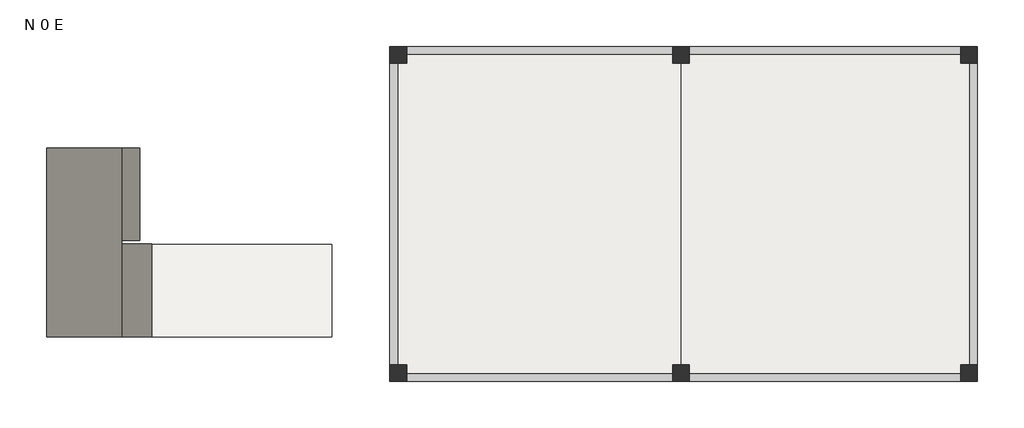
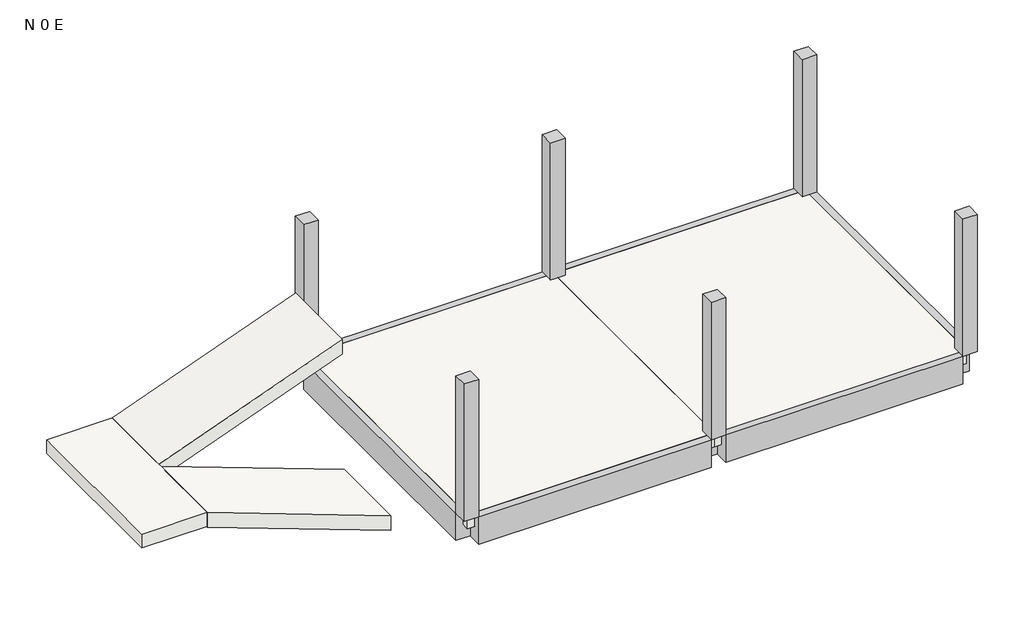
# One storey: 7 beams, 6 columns, 5 slabs.
"""IFC4 building model written with IfcOpenShell, lengths in millimetres."""

import ifcopenshell
import ifcopenshell.guid

model = None  # the IFC model being written
_history = None  # IfcOwnerHistory: only IFC2X3 demands one
_inside = {}  # id of a spatial element -> (the spatial element, [elements in it])
_under = {}  # id of a project, library or spatial element -> (it, [spatial elements below it])
_declared = {}  # id of a project -> (the project, [libraries it declares])
_typed = {}  # id of a type object -> (the type object, [elements of that type])
_made_of = {}  # id of a material, layer set ... -> (it, [elements and type objects made of it])


def new_model(schema):
    """Start an empty IFC model of exactly this schema.

    Asked for "IFC4X3", IfcOpenShell would pick the latest addendum, in which some entities
    have other attributes; the version numbers below select the first issue.
    IFC2X3 requires an IfcOwnerHistory on every rooted entity: one is made here for all.
    """
    global model, _history
    if schema == "IFC4X3":
        model = ifcopenshell.file(schema_version=(4, 3, 0, 0))
    else:
        model = ifcopenshell.file(schema=schema)
    _inside.clear()
    _under.clear()
    _declared.clear()
    _typed.clear()
    _made_of.clear()
    _history = None
    if model.schema == "IFC2X3":
        org = make("IfcOrganization", Name="unknown")
        user = make(
            "IfcPersonAndOrganization",
            ThePerson=make("IfcPerson", FamilyName="unknown"),
            TheOrganization=org,
        )
        app = make(
            "IfcApplication",
            ApplicationDeveloper=org,
            Version="unknown",
            ApplicationFullName="unknown",
            ApplicationIdentifier="unknown",
        )
        _history = make(
            "IfcOwnerHistory",
            OwningUser=user,
            OwningApplication=app,
            ChangeAction="ADDED",
            CreationDate=0,
        )
    return model


def make(cls, **values):
    """One entity of the class cls with the attributes given. An attribute that is None is left unset."""
    return model.create_entity(
        cls, **{name: value for name, value in values.items() if value is not None}
    )


def rooted(cls, **values):
    """An entity with a GlobalId (a new one), such as an element, a storey or a relation."""
    return make(cls, GlobalId=ifcopenshell.guid.new(), OwnerHistory=_history, **values)


def si_unit(unit_type, name, prefix=None):
    """IfcSIUnit, for example si_unit("LENGTHUNIT", "METRE", prefix="MILLI")."""
    return make("IfcSIUnit", UnitType=unit_type, Prefix=prefix, Name=name)


def assignment(units):
    """IfcUnitAssignment: the units of a project."""
    return None if units is None else make("IfcUnitAssignment", Units=units)


def point(xyz):
    """IfcCartesianPoint."""
    return None if xyz is None else make("IfcCartesianPoint", Coordinates=xyz)


def direction(xyz):
    """IfcDirection."""
    return None if xyz is None else make("IfcDirection", DirectionRatios=xyz)


def frame(location, z_axis=None, x_axis=None):
    """IfcAxis2Placement3D, a coordinate frame: its origin and axes. An axis left out is left unset."""
    return make(
        "IfcAxis2Placement3D",
        Location=point(location),
        Axis=direction(z_axis),
        RefDirection=direction(x_axis),
    )


def origin():
    """The frame at (0, 0, 0) with its axes left unset."""
    return frame((0.0, 0.0, 0.0))


def place(relative_to, where):
    """IfcLocalPlacement: puts the frame where relative to a parent placement (None: the world)."""
    return make(
        "IfcLocalPlacement", PlacementRelTo=relative_to, RelativePlacement=where
    )


def context(
    kind, dimensions, precision=None, world=None, true_north=None, identifier=None
):
    """IfcGeometricRepresentationContext, for example the 3D "Model" context."""
    return make(
        "IfcGeometricRepresentationContext",
        ContextIdentifier=identifier,
        ContextType=kind,
        CoordinateSpaceDimension=dimensions,
        Precision=precision,
        WorldCoordinateSystem=world,
        TrueNorth=true_north,
    )


def project(units=None, contexts=None):
    """IfcProject with its units and contexts."""
    return rooted(
        "IfcProject",
        Name="project",
        RepresentationContexts=contexts,
        UnitsInContext=assignment(units),
    )


def spatial(cls, under=None, at=None, **own):
    """A site, building, storey or space (cls), placed at a placement, below another one or the project."""
    s = rooted(cls, ObjectPlacement=at, **own)
    if under is not None:
        _under.setdefault(under.id(), (under, []))[1].append(s)
    return s


def polyline(points):
    """IfcPolyline through the points."""
    return make("IfcPolyline", Points=[point(p) for p in points])


def outline(outer, holes=None, kind="AREA"):
    """IfcArbitraryClosedProfileDef: a profile drawn as a closed curve; with holes, ...WithVoids."""
    if holes is None:
        return make("IfcArbitraryClosedProfileDef", ProfileType=kind, OuterCurve=outer)
    return make(
        "IfcArbitraryProfileDefWithVoids",
        ProfileType=kind,
        OuterCurve=outer,
        InnerCurves=holes,
    )


def extrude(swept, where, along, depth):
    """IfcExtrudedAreaSolid: the profile swept, set in the frame where, extruded along a direction by depth."""
    return make(
        "IfcExtrudedAreaSolid",
        SweptArea=swept,
        Position=where,
        ExtrudedDirection=direction(along),
        Depth=depth,
    )


def faces_of(points, faces, orient=None, outer=None):
    """IfcFace entities. A face is a list of loops; a loop is a list of indices into points, from 0.

    orient and outer hold one flag for each loop. By default every Orientation is true, the
    first loop of a face is its IfcFaceOuterBound and the others are IfcFaceBound.
    """
    made = []
    for i, loops in enumerate(faces):
        bounds = []
        for j, loop in enumerate(loops):
            is_outer = j == 0 if outer is None else outer[i][j]
            bounds.append(
                make(
                    "IfcFaceOuterBound" if is_outer else "IfcFaceBound",
                    Bound=make("IfcPolyLoop", Polygon=[points[k] for k in loop]),
                    Orientation=True if orient is None else orient[i][j],
                )
            )
        made.append(make("IfcFace", Bounds=bounds))
    return made


def faceted_brep(points, faces, orient=None, outer=None, voids=None):
    """IfcFacetedBrep: a solid bounded by flat faces; with voids (closed shells), ...WithVoids."""
    shared = [point(p) for p in points]
    hull = make("IfcClosedShell", CfsFaces=faces_of(shared, faces, orient, outer))
    if voids is None:
        return make("IfcFacetedBrep", Outer=hull)
    return make(
        "IfcFacetedBrepWithVoids",
        Outer=hull,
        Voids=[
            make(cls, CfsFaces=faces_of(shared, fs, o, b)) for cls, fs, o, b in voids
        ],
    )


def shape(context_of_items, identifier, shape_type, items):
    """IfcShapeRepresentation: the items that make up one representation, for example the "Body"."""
    return make(
        "IfcShapeRepresentation",
        ContextOfItems=context_of_items,
        RepresentationIdentifier=identifier,
        RepresentationType=shape_type,
        Items=items,
    )


def made_of(thing, what):
    """Note that an element or type object is made of a material, layer set ...; save() writes the relation."""
    if what is not None:
        _made_of.setdefault(what.id(), (what, []))[1].append(thing)
    return thing


def element(
    cls,
    number,
    at=None,
    inside=None,
    cuts=None,
    type_object=None,
    material=None,
    context=None,
    identifier="Body",
    shape_type=None,
    held_by="IfcProductDefinitionShape",
    body=None,
    shapes=None,
    **own,
):
    """One element of the class cls, such as IfcWall. Its Tag is "e" and its number.

    at: its placement. inside: the storey or other place that contains it. cuts: it is an
    opening in that element (IfcRelVoidsElement). A single representation is given by context,
    identifier, shape_type and body (its items); several are given by shapes. held_by: the class
    of the entity that holds the representations. save() writes the other relations.
    """
    e = rooted(cls, Tag="e%d" % number, ObjectPlacement=at, **own)
    if body is not None:
        shapes = [shape(context, identifier, shape_type, body)]
    if shapes is not None:
        e.Representation = make(held_by, Representations=shapes)
    if inside is not None:
        _inside.setdefault(inside.id(), (inside, []))[1].append(e)
    if cuts is not None:
        rooted(
            "IfcRelVoidsElement", RelatingBuildingElement=cuts, RelatedOpeningElement=e
        )
    if type_object is not None:
        _typed.setdefault(type_object.id(), (type_object, []))[1].append(e)
    return made_of(e, material)


def aggregate(whole, parts):
    """IfcRelAggregates: a whole, such as a stair, and the parts it consists of."""
    return rooted("IfcRelAggregates", RelatingObject=whole, RelatedObjects=parts)


def save(model, path):
    """Write the relations noted so far, then the file.

    IfcRelAggregates (storeys below a building ...), IfcRelContainedInSpatialStructure (elements
    in a storey), IfcRelDefinesByType, IfcRelAssociatesMaterial and IfcRelDeclares: one each for
    every whole, place, type object, material and project.
    """
    for whole, parts in _under.values():
        aggregate(whole, parts)
    for where, things in _inside.values():
        rooted(
            "IfcRelContainedInSpatialStructure",
            RelatedElements=things,
            RelatingStructure=where,
        )
    for kind, things in _typed.values():
        rooted("IfcRelDefinesByType", RelatedObjects=things, RelatingType=kind)
    for what, things in _made_of.values():
        rooted("IfcRelAssociatesMaterial", RelatedObjects=things, RelatingMaterial=what)
    for by, libraries in _declared.values():
        rooted("IfcRelDeclares", RelatingContext=by, RelatedDefinitions=libraries)
    model.write(path)


model = new_model("IFC4")

# Units and contexts
model_context = context("Model", 3, world=origin())
ifc_project = project(units=[si_unit("LENGTHUNIT", "METRE", prefix="MILLI")], contexts=[model_context])

# Site, building, storey
site = spatial("IfcSite", under=ifc_project)
building = spatial("IfcBuilding", under=site)
storey = spatial("IfcBuildingStorey", under=building, Name="N 0 E", Elevation=-100.0)

# Beams
placement = place(None, origin())
element("IfcBeam", 1, ObjectType="300 x 600mm", at=placement, inside=storey, context=model_context, shape_type="SweptSolid", body=[
    extrude(outline(polyline([(-100.0, -4001.2293863), (-700.0, -4001.2293863), (-700.0, -3701.2293863), (-400.0, -3701.2293863), (-400.0, -3851.2293863), (-100.0, -3851.2293863), (-100.0, -4001.2293863)])), frame((0.0, -11538.9448735, 0.0), z_axis=(0.0, 1.0, 0.0), x_axis=(0.0, 0.0, 1.0)), (0.0, 0.0, 1.0), 5450.0),
])
element("IfcBeam", 2, ObjectType="300 x 600mm", at=placement, inside=storey, context=model_context, shape_type="SweptSolid", body=[
    extrude(outline(polyline([(1098.7706137, -6088.9448735), (1398.7706137, -6088.9448735), (1398.7706137, -11538.9448735), (1098.7706137, -11538.9448735), (1098.7706137, -6088.9448735)])), frame((0.0, 0.0, -700.0), z_axis=(0.0, 0.0, 1.0), x_axis=(1.0, 0.0, 0.0)), (0.0, 0.0, 1.0), 300.0),
])
element("IfcBeam", 3, ObjectType="300 x 600mm", at=placement, inside=storey, context=model_context, shape_type="SweptSolid", body=[
    extrude(outline(polyline([(-5788.9448735, -700.0), (-6088.9448735, -700.0), (-6088.9448735, -400.0), (-5938.9448735, -400.0), (-5938.9448735, -100.0), (-5788.9448735, -100.0), (-5788.9448735, -700.0)])), frame((-3701.2293863, 0.0, 0.0), z_axis=(1.0, 0.0, 0.0), x_axis=(0.0, 1.0, 0.0)), (0.0, 0.0, 1.0), 4800.0),
])
element("IfcBeam", 4, ObjectType="300 x 600mm", at=placement, inside=storey, context=model_context, shape_type="SweptSolid", body=[
    extrude(outline(polyline([(-5788.9448735, -700.0), (-6088.9448735, -700.0), (-6088.9448735, -400.0), (-5938.9448735, -400.0), (-5938.9448735, -100.0), (-5788.9448735, -100.0), (-5788.9448735, -700.0)])), frame((1398.7706137, 0.0, 0.0), z_axis=(1.0, 0.0, 0.0), x_axis=(0.0, 1.0, 0.0)), (0.0, 0.0, 1.0), 4900.0),
])
element("IfcBeam", 5, ObjectType="300 x 600mm", at=placement, inside=storey, context=model_context, shape_type="SweptSolid", body=[
    extrude(outline(polyline([(-11838.9448735, -700.0), (-11838.9448735, -100.0), (-11688.9448735, -100.0), (-11688.9448735, -400.0), (-11538.9448735, -400.0), (-11538.9448735, -700.0), (-11838.9448735, -700.0)])), frame((-3701.2293863, 0.0, 0.0), z_axis=(1.0, 0.0, 0.0), x_axis=(0.0, 1.0, 0.0)), (0.0, 0.0, 1.0), 4800.0),
])
element("IfcBeam", 6, ObjectType="300 x 600mm", at=placement, inside=storey, context=model_context, shape_type="SweptSolid", body=[
    extrude(outline(polyline([(-11838.9448735, -700.0), (-11838.9448735, -100.0), (-11688.9448735, -100.0), (-11688.9448735, -400.0), (-11538.9448735, -400.0), (-11538.9448735, -700.0), (-11838.9448735, -700.0)])), frame((1398.7706137, 0.0, 0.0), z_axis=(1.0, 0.0, 0.0), x_axis=(0.0, 1.0, 0.0)), (0.0, 0.0, 1.0), 4900.0),
])
element("IfcBeam", 7, ObjectType="300 x 600mm", at=placement, inside=storey, context=model_context, shape_type="SweptSolid", body=[
    extrude(outline(polyline([(-700.0, 6598.7706137), (-100.0, 6598.7706137), (-100.0, 6448.7706137), (-400.0, 6448.7706137), (-400.0, 6298.7706137), (-700.0, 6298.7706137), (-700.0, 6598.7706137)])), frame((0.0, -11538.9448735, 0.0), z_axis=(0.0, 1.0, 0.0), x_axis=(0.0, 0.0, 1.0)), (0.0, 0.0, 1.0), 5450.0),
])

# Columns
element("IfcColumn", 8, ObjectType="300 x 300", at=placement, inside=storey, context=model_context, shape_type="SweptSolid", body=[
    extrude(outline(polyline([(6598.7706137, -11538.9448735), (6598.7706137, -11838.9448735), (6298.7706137, -11838.9448735), (6298.7706137, -11538.9448735), (6598.7706137, -11538.9448735)])), frame((0.0, 0.0, -100.0), z_axis=(0.0, 0.0, 1.0), x_axis=(1.0, 0.0, 0.0)), (0.0, 0.0, 1.0), 3000.0),
])
element("IfcColumn", 9, ObjectType="300 x 300", at=placement, inside=storey, context=model_context, shape_type="SweptSolid", body=[
    extrude(outline(polyline([(6598.7706137, -5788.9448735), (6598.7706137, -6088.9448735), (6298.7706137, -6088.9448735), (6298.7706137, -5788.9448735), (6598.7706137, -5788.9448735)])), frame((0.0, 0.0, -100.0), z_axis=(0.0, 0.0, 1.0), x_axis=(1.0, 0.0, 0.0)), (0.0, 0.0, 1.0), 3000.0),
])
element("IfcColumn", 10, ObjectType="300 x 300", at=placement, inside=storey, context=model_context, shape_type="SweptSolid", body=[
    extrude(outline(polyline([(-3701.2293863, -5788.9448735), (-3701.2293863, -6088.9448735), (-4001.2293863, -6088.9448735), (-4001.2293863, -5788.9448735), (-3701.2293863, -5788.9448735)])), frame((0.0, 0.0, -100.0), z_axis=(0.0, 0.0, 1.0), x_axis=(1.0, 0.0, 0.0)), (0.0, 0.0, 1.0), 3000.0),
])
element("IfcColumn", 11, ObjectType="300 x 300", at=placement, inside=storey, context=model_context, shape_type="SweptSolid", body=[
    extrude(outline(polyline([(1398.7706137, -5788.9448735), (1398.7706137, -6088.9448735), (1098.7706137, -6088.9448735), (1098.7706137, -5788.9448735), (1398.7706137, -5788.9448735)])), frame((0.0, 0.0, -100.0), z_axis=(0.0, 0.0, 1.0), x_axis=(1.0, 0.0, 0.0)), (0.0, 0.0, 1.0), 3000.0),
])
element("IfcColumn", 12, ObjectType="300 x 300", at=placement, inside=storey, context=model_context, shape_type="SweptSolid", body=[
    extrude(outline(polyline([(-3701.2293863, -11538.9448735), (-3701.2293863, -11838.9448735), (-4001.2293863, -11838.9448735), (-4001.2293863, -11538.9448735), (-3701.2293863, -11538.9448735)])), frame((0.0, 0.0, -100.0), z_axis=(0.0, 0.0, 1.0), x_axis=(1.0, 0.0, 0.0)), (0.0, 0.0, 1.0), 3000.0),
])
element("IfcColumn", 13, ObjectType="300 x 300", at=placement, inside=storey, context=model_context, shape_type="SweptSolid", body=[
    extrude(outline(polyline([(1398.7706137, -11538.9448735), (1398.7706137, -11838.9448735), (1098.7706137, -11838.9448735), (1098.7706137, -11538.9448735), (1398.7706137, -11538.9448735)])), frame((0.0, 0.0, -100.0), z_axis=(0.0, 0.0, 1.0), x_axis=(1.0, 0.0, 0.0)), (0.0, 0.0, 1.0), 3000.0),
])

# Slabs
element("IfcSlab", 14, at=placement, inside=storey, context=model_context, shape_type="Brep", body=[
    faceted_brep([(-3851.2293863, -11688.9448735, -400.0), (-3851.2293863, -11538.9448735, -400.0), (-3851.2293863, -6088.9448735, -400.0), (-3851.2293863, -5938.9448735, -400.0), (-3701.2293863, -5938.9448735, -400.0), (1098.7706137, -5938.9448735, -400.0), (1248.7706137, -5938.9448735, -400.0), (1248.7706137, -11688.9448735, -400.0), (1098.7706137, -11688.9448735, -400.0), (-3701.2293863, -11688.9448735, -400.0), (-3851.2293863, -11688.9448735, -100.0), (-3701.2293863, -11688.9448735, -100.0), (1098.7706137, -11688.9448735, -100.0), (1248.7706137, -11688.9448735, -100.0), (1248.7706137, -5938.9448735, -100.0), (1098.7706137, -5938.9448735, -100.0), (-3701.2293863, -5938.9448735, -100.0), (-3851.2293863, -5938.9448735, -100.0), (-3851.2293863, -6088.9448735, -100.0), (-3851.2293863, -11538.9448735, -100.0)], [[[0, 1, 2, 3, 4, 5, 6, 7, 8, 9]], [[10, 11, 12, 13, 14, 15, 16, 17, 18, 19]], [[3, 2, 1, 0, 10, 19, 18, 17]], [[6, 5, 4, 3, 17, 16, 15, 14]], [[7, 6, 14, 13]], [[0, 9, 8, 7, 13, 12, 11, 10]]]),
])
element("IfcSlab", 15, at=placement, inside=storey, context=model_context, shape_type="Brep", body=[
    faceted_brep([(6448.7706137, -5938.9448735, -400.0), (6448.7706137, -6088.9448735, -400.0), (6448.7706137, -11538.9448735, -400.0), (6448.7706137, -11688.9448735, -400.0), (6298.7706137, -11688.9448735, -400.0), (1398.7706137, -11688.9448735, -400.0), (1248.7706137, -11688.9448735, -400.0), (1248.7706137, -5938.9448735, -400.0), (1398.7706137, -5938.9448735, -400.0), (6298.7706137, -5938.9448735, -400.0), (6448.7706137, -5938.9448735, -100.0), (6298.7706137, -5938.9448735, -100.0), (1398.7706137, -5938.9448735, -100.0), (1248.7706137, -5938.9448735, -100.0), (1248.7706137, -11688.9448735, -100.0), (1398.7706137, -11688.9448735, -100.0), (6298.7706137, -11688.9448735, -100.0), (6448.7706137, -11688.9448735, -100.0), (6448.7706137, -11538.9448735, -100.0), (6448.7706137, -6088.9448735, -100.0)], [[[0, 1, 2, 3, 4, 5, 6, 7, 8, 9]], [[10, 11, 12, 13, 14, 15, 16, 17, 18, 19]], [[3, 2, 1, 0, 10, 19, 18, 17]], [[6, 5, 4, 3, 17, 16, 15, 14]], [[7, 6, 14, 13]], [[0, 9, 8, 7, 13, 12, 11, 10]]]),
])
element("IfcSlab", 16, at=placement, inside=storey, context=model_context, shape_type="SweptSolid", body=[
    extrude(outline(polyline([(980.244082, -8844.0655554), (-419.755918, -5048.3790003), (-100.0, -5048.3790003), (1300.0, -8844.0655554), (980.244082, -8844.0655554)])), frame((0.0, -11029.8869426, 0.0), z_axis=(0.0, 1.0, 0.0), x_axis=(0.0, 0.0, 1.0)), (0.0, 0.0, 1.0), 1669.2740912),
])
element("IfcSlab", 17, at=placement, inside=storey, context=model_context, shape_type="SweptSolid", body=[
    extrude(outline(polyline([(-8844.0655554, -11029.8869426), (-10197.69371, -11029.8869426), (-10197.69371, -7625.4467791), (-8844.0655554, -7625.4467791), (-8844.0655554, -11029.8869426)])), frame((0.0, 0.0, 1000.0), z_axis=(0.0, 0.0, 1.0), x_axis=(1.0, 0.0, 0.0)), (0.0, 0.0, 1.0), 300.0),
])
element("IfcSlab", 18, at=placement, inside=storey, context=model_context, shape_type="SweptSolid", body=[
    extrude(outline(polyline([(980.244082, -8844.0655554), (2380.244082, -5048.3790003), (2700.0, -5048.3790003), (1300.0, -8844.0655554), (980.244082, -8844.0655554)])), frame((0.0, -9294.7208702, 0.0), z_axis=(0.0, 1.0, 0.0), x_axis=(0.0, 0.0, 1.0)), (0.0, 0.0, 1.0), 1669.2740912),
])

save(model, "model.ifc")
